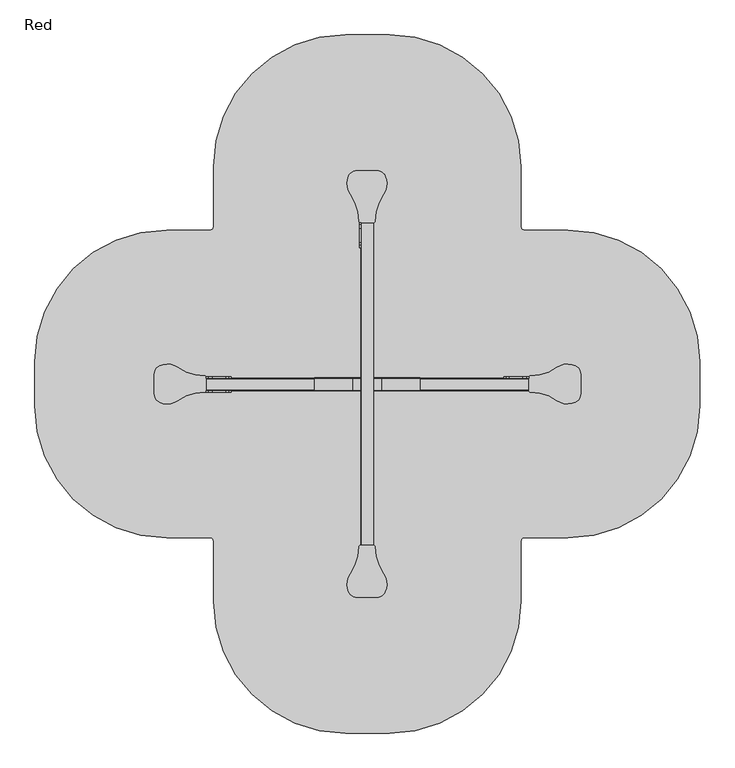
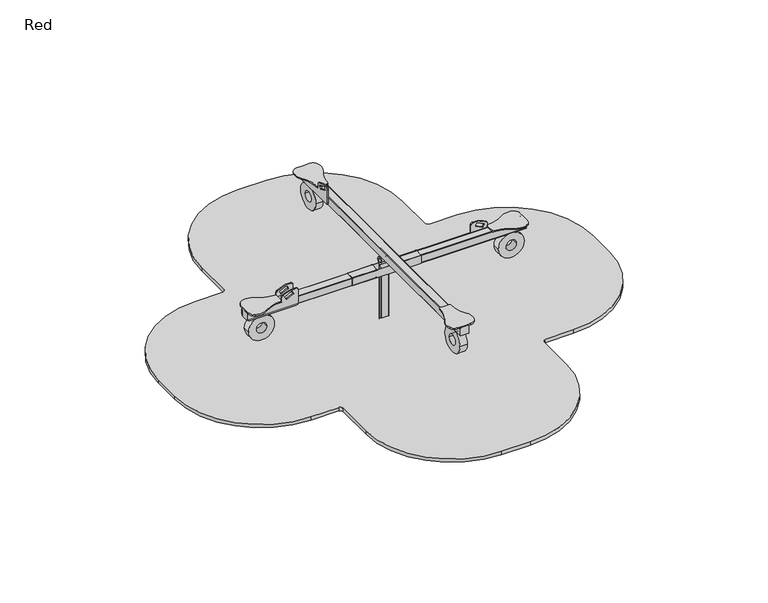
"""IFC4 building model written with IfcOpenShell, lengths in millimetres: furniture geometry, Red."""

from ifc_helpers import new_model, si_unit, point, frame, frame_2d, origin, place, context, project, spatial, polyline, circle_curve, ellipse_curve, trimmed, segment, composite_curve, outline, extrude, source, transform, mapped, element, save
from ifc_brep_helpers import plane_surface, cylinder_surface, revolved_surface, extruded_surface, advanced_brep


def red_bc25be27(model_context):
    return source(origin(), model_context, "Body", "SolidModel", [
        extrude(outline(composite_curve([segment(trimmed(circle_curve(frame_2d((553.5, 930.0)), 5.0), [point((553.5, 925.0))], [point((548.5, 930.0))], False, "CARTESIAN"), True, "CONTINUOUS"), segment(polyline([(548.5, 930.0), (548.5, 960.0)]), True, "CONTINUOUS"), segment(trimmed(circle_curve(frame_2d((553.5, 960.0)), 5.0), [point((548.5, 960.0))], [point((553.5, 965.0))], False, "CARTESIAN"), True, "CONTINUOUS"), segment(polyline([(553.5, 965.0), (638.5, 965.0)]), True, "CONTINUOUS"), segment(trimmed(circle_curve(frame_2d((638.5, 960.0)), 5.0), [point((638.5, 965.0))], [point((643.5, 960.0))], False, "CARTESIAN"), True, "CONTINUOUS"), segment(polyline([(643.5, 960.0), (643.5, 930.0)]), True, "CONTINUOUS"), segment(trimmed(circle_curve(frame_2d((638.5, 930.0)), 5.0), [point((643.5, 930.0))], [point((638.5, 925.0))], False, "CARTESIAN"), True, "CONTINUOUS"), segment(polyline([(638.5, 925.0), (553.5, 925.0)]), True, "CONTINUOUS")], self_intersect=False)), frame((0.0, 0.0, -600.0), z_axis=(0.0, 0.0, 1.0), x_axis=(1.0, 0.0, 0.0)), (0.0, 0.0, 1.0), 500.0),
        advanced_brep(
        [(746.0, 855.0, -600.0), (686.0, 795.0, -600.0), (506.0, 795.0, -600.0), (446.0, 855.0, -600.0), (446.0, 1035.0, -600.0), (506.0, 1095.0, -600.0), (686.0, 1095.0, -600.0), (746.0, 1035.0, -600.0), (746.0, 1035.0, -460.0), (746.0, 855.0, -460.0), (506.0, 1095.0, -460.0), (686.0, 1095.0, -460.0), (446.0, 855.0, -460.0), (446.0, 1035.0, -460.0), (686.0, 795.0, -460.0), (506.0, 795.0, -460.0), (668.6989403, 957.2959549, -250.0), (608.6989403, 1017.2959549, -250.0), (583.3010597, 1017.2959549, -250.0), (523.3010597, 957.2959549, -250.0), (523.3010597, 932.7040451, -250.0), (583.3010597, 872.7040451, -250.0), (608.6989403, 872.7040451, -250.0), (668.6989403, 932.7040451, -250.0)],
        [
            (0, 1, circle_curve(frame((686.0, 855.0, -600.0), z_axis=(0.0, 0.0, -1.0), x_axis=(0.0, -1.0, 0.0)), 60.0)),
            (1, 2),
            (2, 3, circle_curve(frame((506.0, 855.0, -600.0), z_axis=(0.0, 0.0, -1.0), x_axis=(0.0, -1.0, 0.0)), 60.0)),
            (3, 4),
            (4, 5, circle_curve(frame((506.0, 1035.0, -600.0), z_axis=(0.0, 0.0, -1.0), x_axis=(0.0, -1.0, 0.0)), 60.0)),
            (5, 6),
            (6, 7, circle_curve(frame((686.0, 1035.0, -600.0), z_axis=(0.0, 0.0, -1.0), x_axis=(0.0, -1.0, 0.0)), 60.0)),
            (7, 0),
            (7, 8),
            (8, 9),
            (9, 0),
            (5, 10),
            (10, 11),
            (11, 6),
            (3, 12),
            (12, 13),
            (13, 4),
            (1, 14),
            (14, 15),
            (15, 2),
            (16, 17, circle_curve(frame((608.6989403, 957.2959549, -250.0), z_axis=(0.0, 0.0, 1.0), x_axis=(0.0, -1.0, 0.0)), 60.0)),
            (17, 18),
            (18, 19, circle_curve(frame((583.3010597, 957.2959549, -250.0), z_axis=(0.0, 0.0, 1.0), x_axis=(0.0, -1.0, 0.0)), 60.0)),
            (19, 20),
            (20, 21, circle_curve(frame((583.3010597, 932.7040451, -250.0), z_axis=(0.0, 0.0, 1.0), x_axis=(0.0, -1.0, 0.0)), 60.0)),
            (21, 22),
            (22, 23, circle_curve(frame((608.6989403, 932.7040451, -250.0), z_axis=(0.0, 0.0, 1.0), x_axis=(0.0, -1.0, 0.0)), 60.0)),
            (23, 16),
            (17, 11),
            (10, 18),
            (19, 13),
            (12, 20),
            (21, 15),
            (14, 22),
            (23, 9),
            (8, 16),
            (11, 8, circle_curve(frame((686.0, 1035.0, -460.0), z_axis=(0.0, 0.0, -1.0), x_axis=(0.0, -1.0, 0.0)), 60.0)),
            (13, 10, circle_curve(frame((506.0, 1035.0, -460.0), z_axis=(0.0, 0.0, -1.0), x_axis=(0.0, -1.0, 0.0)), 60.0)),
            (15, 12, circle_curve(frame((506.0, 855.0, -460.0), z_axis=(0.0, 0.0, -1.0), x_axis=(0.0, -1.0, 0.0)), 60.0)),
            (9, 14, circle_curve(frame((686.0, 855.0, -460.0), z_axis=(0.0, 0.0, -1.0), x_axis=(0.0, -1.0, 0.0)), 60.0)),
        ],
        [
            plane_surface(frame((746.0, 1121.6329682, -600.0), z_axis=(0.0, 0.0, -1.0), x_axis=(0.0, -1.0, 0.0))),
            plane_surface(frame((746.0, 855.0, -460.0), z_axis=(1.0, 0.0, 0.0), x_axis=(0.0, 0.0, -1.0))),
            plane_surface(frame((686.0, 1095.0, -460.0), z_axis=(0.0, 1.0, 0.0), x_axis=(0.0, 0.0, -1.0))),
            plane_surface(frame((446.0, 1035.0, -460.0), z_axis=(-1.0, 0.0, 0.0), x_axis=(0.0, 0.0, -1.0))),
            plane_surface(frame((506.0, 795.0, -460.0), z_axis=(0.0, -1.0, 0.0), x_axis=(0.0, 0.0, -1.0))),
            plane_surface(frame((596.0, 945.0, -250.0), z_axis=(0.0, 0.0, 1.0), x_axis=(0.0, 1.0, 0.0))),
            plane_surface(frame((596.0, 1095.0, -460.0), z_axis=(0.0, 0.9378559633153523, 0.3470247715564883), x_axis=(-1.0, 0.0, 0.0))),
            plane_surface(frame((446.0, 945.0, -460.0), z_axis=(-0.9384407279810882, 0.0, 0.3454402988452927), x_axis=(0.0, -1.0, 0.0))),
            plane_surface(frame((596.0, 795.0, -460.0), z_axis=(0.0, -0.9378559633153524, 0.34702477155648764), x_axis=(1.0, 0.0, 0.0))),
            plane_surface(frame((746.0, 945.0, -460.0), z_axis=(0.9384407279810884, 0.0, 0.3454402988452924), x_axis=(0.0, 1.0, 0.0))),
            cylinder_surface(frame((686.0, 1035.0, -600.0), z_axis=(0.0, 0.0, 1.0), x_axis=(0.0, -1.0, 0.0)), 60.0),
            cylinder_surface(frame((506.0, 1035.0, -600.0), z_axis=(0.0, 0.0, 1.0), x_axis=(0.0, -1.0, 0.0)), 60.0),
            cylinder_surface(frame((506.0, 855.0, -600.0), z_axis=(0.0, 0.0, 1.0), x_axis=(0.0, -1.0, 0.0)), 60.0),
            cylinder_surface(frame((686.0, 855.0, -600.0), z_axis=(0.0, 0.0, 1.0), x_axis=(0.0, -1.0, 0.0)), 60.0),
            extruded_surface(trimmed(circle_curve(frame((686.0, 1035.0, -460.0), z_axis=(0.0, 0.0, 1.0), x_axis=(0.0, -1.0, 0.0)), 60.0), [point((746.0, 1035.0, -460.0))], [point((686.0, 1095.0, -460.0))], True, "CARTESIAN"), (-77.3010597, -77.70404510000003, 210.0), 236.88261324049472),
            extruded_surface(trimmed(circle_curve(frame((686.0, 855.0, -460.0), z_axis=(0.0, 0.0, 1.0), x_axis=(0.0, -1.0, 0.0)), 60.0), [point((686.0, 795.0, -460.0))], [point((746.0, 855.0, -460.0))], True, "CARTESIAN"), (-77.3010597, 77.70404510000003, 210.0), 236.88261324049472),
            extruded_surface(trimmed(circle_curve(frame((506.0, 1035.0, -460.0), z_axis=(0.0, 0.0, 1.0), x_axis=(0.0, -1.0, 0.0)), 60.0), [point((506.0, 1095.0, -460.0))], [point((446.0, 1035.0, -460.0))], True, "CARTESIAN"), (77.3010597, -77.70404510000003, 210.0), 236.88261324049472),
            extruded_surface(trimmed(circle_curve(frame((506.0, 855.0, -460.0), z_axis=(0.0, 0.0, 1.0), x_axis=(0.0, -1.0, 0.0)), 60.0), [point((446.0, 855.0, -460.0))], [point((506.0, 795.0, -460.0))], True, "CARTESIAN"), (77.3010597, 77.70404510000003, 210.0), 236.88261324049472),
        ],
        [
            (0, [[1, 2, 3, 4, 5, 6, 7, 8]]),
            (1, [[-8, 9, 10, 11]]),
            (2, [[-6, 12, 13, 14]]),
            (3, [[-4, 15, 16, 17]]),
            (4, [[-2, 18, 19, 20]]),
            (5, [[21, 22, 23, 24, 25, 26, 27, 28]]),
            (6, [[-22, 29, -13, 30]]),
            (7, [[-24, 31, -16, 32]]),
            (8, [[-26, 33, -19, 34]]),
            (9, [[-28, 35, -10, 36]]),
            (10, [[-7, -14, 37, -9]]),
            (11, [[-5, -17, 38, -12]]),
            (12, [[-3, -20, 39, -15]]),
            (13, [[-1, -11, 40, -18]]),
            (14, [[-21, -36, -37, -29]]),
            (15, [[-27, -34, -40, -35]]),
            (16, [[-23, -30, -38, -31]]),
            (17, [[-25, -32, -39, -33]]),
        ],
    ),
        extrude(outline(composite_curve([segment(trimmed(circle_curve(frame_2d((848.0, 550.5)), 2.0), [point((850.0, 550.5))], [point((848.0, 548.5))], False, "CARTESIAN"), True, "CONTINUOUS"), segment(polyline([(848.0, 548.5), (757.0, 548.5)]), True, "CONTINUOUS"), segment(trimmed(circle_curve(frame_2d((757.0, 550.5)), 2.0), [point((757.0, 548.5))], [point((755.0, 550.5))], False, "CARTESIAN"), True, "CONTINUOUS"), segment(polyline([(755.0, 550.5), (755.0, 641.5)]), True, "CONTINUOUS"), segment(trimmed(circle_curve(frame_2d((757.0, 641.5)), 2.0), [point((755.0, 641.5))], [point((757.0, 643.5))], False, "CARTESIAN"), True, "CONTINUOUS"), segment(polyline([(757.0, 643.5), (848.0, 643.5)]), True, "CONTINUOUS"), segment(trimmed(circle_curve(frame_2d((848.0, 641.5)), 2.0), [point((848.0, 643.5))], [point((850.0, 641.5))], False, "CARTESIAN"), True, "CONTINUOUS"), segment(polyline([(850.0, 641.5), (850.0, 550.5)]), True, "CONTINUOUS")], self_intersect=False)), frame((0.0, -674.7787309, 0.0), z_axis=(0.0, 1.0, 0.0), x_axis=(0.0, 0.0, 1.0)), (0.0, 0.0, 1.0), 3239.5574618),
        extrude(outline(composite_curve([segment(polyline([(891.7811039, 634.9532285), (891.7811039, 635.9532285)]), True, "CONTINUOUS"), segment(trimmed(circle_curve(frame_2d((893.7811039, 635.9532285)), 2.0), [point((891.7811039, 635.9532285))], [point((893.7811039, 637.9532285))], False, "CARTESIAN"), True, "CONTINUOUS"), segment(polyline([(893.7811039, 637.9532285), (990.7659008, 637.9532285)]), True, "CONTINUOUS"), segment(trimmed(circle_curve(frame_2d((990.7659008, 635.9532285)), 2.0), [point((990.7659008, 637.9532285))], [point((992.7659008, 635.9532285))], False, "CARTESIAN"), True, "CONTINUOUS"), segment(polyline([(992.7659008, 635.9532285), (992.7659008, 634.9532285), (891.7811039, 634.9532285)]), True, "CONTINUOUS")], self_intersect=False)), frame((196.0, 0.0, 0.0), z_axis=(1.0, 0.0, 0.0), x_axis=(0.0, 1.0, 0.0)), (0.0, 0.0, 1.0), 288.3542739),
        extrude(outline(composite_curve([segment(polyline([(891.7811039, 634.9532285), (891.7811039, 635.9532285)]), True, "CONTINUOUS"), segment(trimmed(circle_curve(frame_2d((893.7811039, 635.9532285)), 2.0), [point((891.7811039, 635.9532285))], [point((893.7811039, 637.9532285))], False, "CARTESIAN"), True, "CONTINUOUS"), segment(polyline([(893.7811039, 637.9532285), (990.7659008, 637.9532285)]), True, "CONTINUOUS"), segment(trimmed(circle_curve(frame_2d((990.7659008, 635.9532285)), 2.0), [point((990.7659008, 637.9532285))], [point((992.7659008, 635.9532285))], False, "CARTESIAN"), True, "CONTINUOUS"), segment(polyline([(992.7659008, 635.9532285), (992.7659008, 634.9532285), (891.7811039, 634.9532285)]), True, "CONTINUOUS")], self_intersect=False)), frame((707.6457261, 0.0, 0.0), z_axis=(1.0, 0.0, 0.0), x_axis=(0.0, 1.0, 0.0)), (0.0, 0.0, 1.0), 288.3542739),
        extrude(outline(polyline([(996.0, 891.7811039), (196.0, 891.7811039), (196.0, 894.7811039), (996.0, 894.7811039), (996.0, 891.7811039)])), frame((0.0, 0.0, 539.9532285), z_axis=(0.0, 0.0, 1.0), x_axis=(1.0, 0.0, 0.0)), (0.0, 0.0, 1.0), 95.0),
        extrude(outline(polyline([(196.0, 992.7659008), (996.0, 992.7659008), (996.0, 989.7659008), (196.0, 989.7659008), (196.0, 992.7659008)])), frame((0.0, 0.0, 539.9532285), z_axis=(0.0, 0.0, 1.0), x_axis=(1.0, 0.0, 0.0)), (0.0, 0.0, 1.0), 95.0),
        extrude(outline(composite_curve([segment(polyline([(5.0, -5.0), (5.0, -90.0)]), True, "CONTINUOUS"), segment(trimmed(circle_curve(frame_2d((0.0, -90.0)), 5.0), [point((5.0, -90.0))], [point((0.0, -95.0))], False, "CARTESIAN"), True, "CONTINUOUS"), segment(polyline([(0.0, -95.0), (-85.0, -95.0)]), True, "CONTINUOUS"), segment(trimmed(circle_curve(frame_2d((-85.0, -90.0)), 5.0), [point((-85.0, -95.0))], [point((-90.0, -90.0))], False, "CARTESIAN"), True, "CONTINUOUS"), segment(polyline([(-90.0, -90.0), (-90.0, -5.0)]), True, "CONTINUOUS"), segment(trimmed(circle_curve(frame_2d((-85.0, -5.0)), 5.0), [point((-90.0, -5.0))], [point((-85.0, 0.0))], False, "CARTESIAN"), True, "CONTINUOUS"), segment(polyline([(-85.0, 0.0), (0.0, 0.0)]), True, "CONTINUOUS"), segment(trimmed(circle_curve(frame_2d((0.0, -5.0)), 5.0), [point((0.0, 0.0))], [point((5.0, -5.0))], False, "CARTESIAN"), True, "CONTINUOUS")], self_intersect=False)), frame((484.3523572, 894.770406, 545.0), z_axis=(-0.9999999991858349, 4.0352573973788904e-05, 0.0), x_axis=(0.0, 0.0, -1.0)), (0.0, 0.0, 1.0), 1506.6118827),
        extrude(outline(composite_curve([segment(trimmed(circle_curve(frame_2d((0.0, -150.0)), 150.0), [point((0.0, -299.9999999))], [point((0.0, 0.0))], False, "CARTESIAN"), True, "CONTINUOUS"), segment(trimmed(circle_curve(frame_2d((0.0, -150.0)), 150.0), [point((0.0, 0.0))], [point((0.0, -299.9999999))], False, "CARTESIAN"), True, "CONTINUOUS")], self_intersect=False), holes=[composite_curve([segment(trimmed(circle_curve(frame_2d((0.0, -150.0)), 60.0), [point((0.0, -210.0))], [point((0.0, -90.0))], True, "CARTESIAN"), True, "CONTINUOUS"), segment(trimmed(circle_curve(frame_2d((0.0, -150.0)), 60.0), [point((0.0, -90.0))], [point((0.0, -210.0))], True, "CARTESIAN"), True, "CONTINUOUS")], self_intersect=False)]), frame((-702.4771301, 899.0550354, 390.0), z_axis=(-4.035257397550418e-05, 0.9999999991858349, 0.0), x_axis=(0.0, 0.0, 1.0)), (0.0, 0.0, 1.0), 85.6782978),
        extrude(outline(composite_curve([segment(polyline([(-1022.2546796, 869.7734728), (-1022.2577031, 944.7006096), (-1022.2607266, 1019.6277463)]), True, "CONTINUOUS"), segment(trimmed(circle_curve(frame_2d((-952.2607267, 1019.630571)), 70.0), [point((-1022.2607266, 1019.6277463))], [point((-981.5103838, 1083.2266209))], False, "CARTESIAN"), True, "CONTINUOUS"), segment(trimmed(circle_curve(frame_2d((-923.3455087, 956.7616753)), 139.1996234), [point((-981.5103838, 1083.2266209))], [point((-842.9477295, 1070.395879))], False, "CARTESIAN"), True, "CONTINUOUS"), segment(trimmed(circle_curve(frame_2d((-641.7427309, 1354.7789801)), 348.3636027), [point((-842.9477295, 1070.395879))], [point((-639.3423932, 1006.4236471))], True, "CARTESIAN"), True, "CONTINUOUS"), segment(trimmed(circle_curve(frame_2d((-639.2597093, 994.423932)), 12.0), [point((-639.3423932, 1006.4236471))], [point((-627.2597093, 994.4244162))], False, "CARTESIAN"), True, "CONTINUOUS"), segment(polyline([(-627.2597093, 994.4244162), (-627.2577035, 944.7165489), (-627.2556976, 895.0086815)]), True, "CONTINUOUS"), segment(trimmed(circle_curve(frame_2d((-639.2556976, 895.0081973)), 12.0), [point((-627.2556976, 895.0086815))], [point((-639.337413, 883.0084755))], False, "CARTESIAN"), True, "CONTINUOUS"), segment(trimmed(circle_curve(frame_2d((-641.7096367, 534.6529499)), 348.3636027), [point((-639.337413, 883.0084755))], [point((-842.9375858, 819.0198118))], True, "CARTESIAN"), True, "CONTINUOUS"), segment(trimmed(circle_curve(frame_2d((-923.3445356, 932.6475266)), 139.1996234), [point((-842.9375858, 819.0198118))], [point((-981.4992042, 806.1778873))], False, "CARTESIAN"), True, "CONTINUOUS"), segment(trimmed(circle_curve(frame_2d((-952.2546797, 869.7762975)), 70.0), [point((-981.4992042, 806.1778873))], [point((-1022.2546796, 869.7734728))], False, "CARTESIAN"), True, "CONTINUOUS")], self_intersect=False)), frame((0.0, 0.0, 635.0), z_axis=(0.0, 0.0, 1.0), x_axis=(1.0, 0.0, 0.0)), (0.0, 0.0, 1.0), 15.0),
        extrude(outline(composite_curve([segment(trimmed(circle_curve(frame_2d((0.0, -150.0)), 150.0), [point((0.0, -300.0))], [point((0.0, 0.0))], False, "CARTESIAN"), True, "CONTINUOUS"), segment(trimmed(circle_curve(frame_2d((0.0, -150.0)), 150.0), [point((0.0, 0.0))], [point((0.0, -300.0))], False, "CARTESIAN"), True, "CONTINUOUS")], self_intersect=False), holes=[composite_curve([segment(trimmed(circle_curve(frame_2d((0.0, -150.0)), 60.0), [point((0.0, -210.0))], [point((0.0, -90.0))], True, "CARTESIAN"), True, "CONTINUOUS"), segment(trimmed(circle_curve(frame_2d((0.0, -150.0)), 60.0), [point((0.0, -90.0))], [point((0.0, -210.0))], True, "CARTESIAN"), True, "CONTINUOUS")], self_intersect=False)]), frame((1897.5228678, 899.1599521, 390.0), z_axis=(-4.035257397550418e-05, 0.9999999991858349, 0.0), x_axis=(0.0, 0.0, -1.0)), (0.0, 0.0, 1.0), 85.6782978),
        extrude(outline(composite_curve([segment(trimmed(circle_curve(frame_2d((2147.3027795, 869.9013726)), 70.0), [point((2217.3027795, 869.9041973))], [point((2176.5524367, 806.3053228))], False, "CARTESIAN"), True, "CONTINUOUS"), segment(trimmed(circle_curve(frame_2d((2118.3875616, 932.7702683)), 139.1996234), [point((2176.5524367, 806.3053228))], [point((2037.9897823, 819.1360647))], False, "CARTESIAN"), True, "CONTINUOUS"), segment(trimmed(circle_curve(frame_2d((1836.7847838, 534.7529635)), 348.3636027), [point((2037.9897823, 819.1360647))], [point((1834.384446, 883.1082965))], True, "CARTESIAN"), True, "CONTINUOUS"), segment(trimmed(circle_curve(frame_2d((1834.3017621, 895.1080117)), 12.0), [point((1834.384446, 883.1082965))], [point((1822.3017621, 895.1075274))], False, "CARTESIAN"), True, "CONTINUOUS"), segment(polyline([(1822.3017621, 895.1075274), (1822.2997563, 944.8153948), (1822.2977505, 994.5232622)]), True, "CONTINUOUS"), segment(trimmed(circle_curve(frame_2d((1834.2977505, 994.5237464)), 12.0), [point((1822.2977505, 994.5232622))], [point((1834.3794659, 1006.5234682))], False, "CARTESIAN"), True, "CONTINUOUS"), segment(trimmed(circle_curve(frame_2d((1836.7516896, 1354.8789938)), 348.3636027), [point((1834.3794659, 1006.5234682))], [point((2037.9796386, 1070.5121318))], True, "CARTESIAN"), True, "CONTINUOUS"), segment(trimmed(circle_curve(frame_2d((2118.3865885, 956.884417)), 139.1996234), [point((2037.9796386, 1070.5121318))], [point((2176.5412571, 1083.3540564))], False, "CARTESIAN"), True, "CONTINUOUS"), segment(trimmed(circle_curve(frame_2d((2147.2967325, 1019.7556461)), 70.0), [point((2176.5412571, 1083.3540564))], [point((2217.2967325, 1019.7584708))], False, "CARTESIAN"), True, "CONTINUOUS"), segment(polyline([(2217.2967325, 1019.7584708), (2217.299756, 944.8313341), (2217.3027795, 869.9041973)]), True, "CONTINUOUS")], self_intersect=False)), frame((0.0, 0.0, 635.0), z_axis=(0.0, 0.0, 1.0), x_axis=(1.0, 0.0, 0.0)), (0.0, 0.0, 1.0), 15.0),
        extrude(outline(composite_curve([segment(trimmed(circle_curve(frame_2d((90.0, -5.0)), 5.0), [point((90.0, 0.0))], [point((95.0, -5.0))], False, "CARTESIAN"), True, "CONTINUOUS"), segment(polyline([(95.0, -5.0), (95.0, -90.0)]), True, "CONTINUOUS"), segment(trimmed(circle_curve(frame_2d((90.0, -90.0)), 5.0), [point((95.0, -90.0))], [point((90.0, -95.0))], False, "CARTESIAN"), True, "CONTINUOUS"), segment(polyline([(90.0, -95.0), (5.0, -95.0)]), True, "CONTINUOUS"), segment(trimmed(circle_curve(frame_2d((5.0, -90.0)), 5.0), [point((5.0, -95.0))], [point((0.0, -90.0))], False, "CARTESIAN"), True, "CONTINUOUS"), segment(polyline([(0.0, -90.0), (0.0, -5.0)]), True, "CONTINUOUS"), segment(trimmed(circle_curve(frame_2d((5.0, -5.0)), 5.0), [point((0.0, -5.0))], [point((5.0, 0.0))], False, "CARTESIAN"), True, "CONTINUOUS"), segment(polyline([(5.0, 0.0), (90.0, 0.0)]), True, "CONTINUOUS")], self_intersect=False)), frame((707.6438093, 989.7704059, 540.0), z_axis=(0.9999999991858349, 4.0352573973788904e-05, 0.0), x_axis=(4.0352573973788904e-05, -0.9999999991858349, 0.0)), (0.0, 0.0, 1.0), 1509.8936814),
        extrude(outline(composite_curve([segment(trimmed(circle_curve(frame_2d((-505.0, 605.0)), 150.0), [point((-655.0, 605.0))], [point((-355.0, 605.0))], False, "CARTESIAN"), True, "CONTINUOUS"), segment(trimmed(circle_curve(frame_2d((-505.0, 605.0)), 150.0), [point((-355.0, 605.0))], [point((-655.0, 605.0))], False, "CARTESIAN"), True, "CONTINUOUS")], self_intersect=False), holes=[composite_curve([segment(trimmed(circle_curve(frame_2d((-505.0, 605.0)), 60.0), [point((-565.0, 605.0))], [point((-445.0, 605.0))], True, "CARTESIAN"), True, "CONTINUOUS"), segment(trimmed(circle_curve(frame_2d((-505.0, 605.0)), 60.0), [point((-445.0, 605.0))], [point((-565.0, 605.0))], True, "CARTESIAN"), True, "CONTINUOUS")], self_intersect=False)]), frame((553.4801803, 0.0, 0.0), z_axis=(1.0, 0.0, 0.0), x_axis=(0.0, 1.0, 0.0)), (0.0, 0.0, 1.0), 85.6782978),
        extrude(outline(composite_curve([segment(polyline([(668.4271368, -674.7787309), (593.5, -674.7787309), (518.5728632, -674.7787309)]), True, "CONTINUOUS"), segment(trimmed(circle_curve(frame_2d((518.5728632, -604.7787309)), 70.0), [point((518.5728632, -674.7787309))], [point((454.9756331, -634.0258217))], False, "CARTESIAN"), True, "CONTINUOUS"), segment(trimmed(circle_curve(frame_2d((581.4429256, -575.8660498)), 139.1996234), [point((454.9756331, -634.0258217))], [point((467.8119663, -495.4636852))], False, "CARTESIAN"), True, "CONTINUOUS"), segment(trimmed(circle_curve(frame_2d((183.4369845, -294.2472112)), 348.3636027), [point((467.8119663, -495.4636852))], [point((531.7924141, -291.8609305))], True, "CARTESIAN"), True, "CONTINUOUS"), segment(trimmed(circle_curve(frame_2d((543.7921326, -291.7787309)), 12.0), [point((531.7924141, -291.8609305))], [point((543.7921326, -279.7787309))], False, "CARTESIAN"), True, "CONTINUOUS"), segment(polyline([(543.7921326, -279.7787309), (593.5, -279.7787309), (643.2078674, -279.7787309)]), True, "CONTINUOUS"), segment(trimmed(circle_curve(frame_2d((643.2078674, -291.7787309)), 12.0), [point((643.2078674, -279.7787309))], [point((655.2075859, -291.8609305))], False, "CARTESIAN"), True, "CONTINUOUS"), segment(trimmed(circle_curve(frame_2d((1003.5630155, -294.2472112)), 348.3636027), [point((655.2075859, -291.8609305))], [point((719.1880337, -495.4636852))], True, "CARTESIAN"), True, "CONTINUOUS"), segment(trimmed(circle_curve(frame_2d((605.5570744, -575.8660498)), 139.1996234), [point((719.1880337, -495.4636852))], [point((732.0243669, -634.0258217))], False, "CARTESIAN"), True, "CONTINUOUS"), segment(trimmed(circle_curve(frame_2d((668.4271368, -604.7787309)), 70.0), [point((732.0243669, -634.0258217))], [point((668.4271368, -674.7787309))], False, "CARTESIAN"), True, "CONTINUOUS")], self_intersect=False)), frame((0.0, 0.0, 850.0), z_axis=(0.0, 0.0, 1.0), x_axis=(1.0, 0.0, 0.0)), (0.0, 0.0, 1.0), 14.9726504),
        extrude(outline(composite_curve([segment(trimmed(circle_curve(frame_2d((2395.0, 605.0)), 150.0), [point((2545.0, 605.0))], [point((2245.0, 605.0))], False, "CARTESIAN"), True, "CONTINUOUS"), segment(trimmed(circle_curve(frame_2d((2395.0, 605.0)), 150.0), [point((2245.0, 605.0))], [point((2545.0, 605.0))], False, "CARTESIAN"), True, "CONTINUOUS")], self_intersect=False), holes=[composite_curve([segment(trimmed(circle_curve(frame_2d((2395.0, 605.0)), 60.0), [point((2455.0, 605.0))], [point((2335.0, 605.0))], True, "CARTESIAN"), True, "CONTINUOUS"), segment(trimmed(circle_curve(frame_2d((2395.0, 605.0)), 60.0), [point((2335.0, 605.0))], [point((2455.0, 605.0))], True, "CARTESIAN"), True, "CONTINUOUS")], self_intersect=False)]), frame((553.4801803, 0.0, 0.0), z_axis=(1.0, 0.0, 0.0), x_axis=(0.0, 1.0, 0.0)), (0.0, 0.0, 1.0), 85.6782978),
        extrude(outline(composite_curve([segment(trimmed(circle_curve(frame_2d((668.4271368, 2494.7787309)), 70.0), [point((668.4271368, 2564.7787309))], [point((732.0243669, 2524.0258217))], False, "CARTESIAN"), True, "CONTINUOUS"), segment(trimmed(circle_curve(frame_2d((605.5570744, 2465.8660498)), 139.1996234), [point((732.0243669, 2524.0258217))], [point((719.1880337, 2385.4636852))], False, "CARTESIAN"), True, "CONTINUOUS"), segment(trimmed(circle_curve(frame_2d((1003.5630155, 2184.2472112)), 348.3636027), [point((719.1880337, 2385.4636852))], [point((655.2075859, 2181.8609305))], True, "CARTESIAN"), True, "CONTINUOUS"), segment(trimmed(circle_curve(frame_2d((643.2078674, 2181.7787309)), 12.0), [point((655.2075859, 2181.8609305))], [point((643.2078674, 2169.7787309))], False, "CARTESIAN"), True, "CONTINUOUS"), segment(polyline([(643.2078674, 2169.7787309), (593.5, 2169.7787309), (543.7921326, 2169.7787309)]), True, "CONTINUOUS"), segment(trimmed(circle_curve(frame_2d((543.7921326, 2181.7787309)), 12.0), [point((543.7921326, 2169.7787309))], [point((531.7924141, 2181.8609305))], False, "CARTESIAN"), True, "CONTINUOUS"), segment(trimmed(circle_curve(frame_2d((183.4369845, 2184.2472112)), 348.3636027), [point((531.7924141, 2181.8609305))], [point((467.8119663, 2385.4636852))], True, "CARTESIAN"), True, "CONTINUOUS"), segment(trimmed(circle_curve(frame_2d((581.4429256, 2465.8660498)), 139.1996234), [point((467.8119663, 2385.4636852))], [point((454.9756331, 2524.0258217))], False, "CARTESIAN"), True, "CONTINUOUS"), segment(trimmed(circle_curve(frame_2d((518.5728632, 2494.7787309)), 70.0), [point((454.9756331, 2524.0258217))], [point((518.5728632, 2564.7787309))], False, "CARTESIAN"), True, "CONTINUOUS"), segment(polyline([(518.5728632, 2564.7787309), (593.5, 2564.7787309), (668.4271368, 2564.7787309)]), True, "CONTINUOUS")], self_intersect=False)), frame((0.0, 0.0, 850.0), z_axis=(0.0, 0.0, 1.0), x_axis=(1.0, 0.0, 0.0)), (0.0, 0.0, 1.0), 14.9949658),
        advanced_brep(
        [(643.5, 925.0, -250.0), (643.5, 965.0, -250.0), (643.5, 965.0, -100.0), (643.5, 960.0, -100.0), (643.5, 960.0, 600.0), (643.5, 962.766844, 600.0), (643.5, 953.6686109, 658.4506058), (643.5, 985.0, 697.5), (643.5, 905.0, 697.5), (643.5, 936.2777042, 658.4625621), (643.5, 928.0613269, 600.0), (643.5, 930.0, 600.0), (643.5, 930.0, -100.0), (643.5, 925.0, -100.0), (643.5, 965.0, 697.6143428), (643.5, 925.0, 697.6143428), (548.5, 965.0, -250.0), (548.5, 925.0, -250.0), (548.5, 925.0, -100.0), (548.5, 930.0, -100.0), (548.5, 930.0, 600.0), (548.5, 928.0613269, 600.0), (548.5, 936.2777042, 658.4625621), (548.5, 905.0, 697.5), (548.5, 985.0, 697.5), (548.5, 953.6686109, 658.4506058), (548.5, 962.766844, 600.0), (548.5, 960.0, 600.0), (548.5, 960.0, -100.0), (548.5, 965.0, -100.0), (548.5, 965.0, 697.6143428), (548.5, 925.0, 697.6143428), (642.6646817, 962.766844, 600.0), (638.5, 965.0, 585.6533332), (553.5, 965.0, 585.6533332), (549.3353183, 962.766844, 600.0), (548.8911448, 928.0613269, 600.0), (553.5, 925.0, 578.2175274), (638.5, 925.0, 578.2175274), (643.1088552, 928.0613269, 600.0), (638.5, 925.0, -100.0), (553.5, 925.0, -100.0), (553.5, 965.0, -100.0), (638.5, 965.0, -100.0)],
        [
            (0, 1),
            (1, 2),
            (2, 3),
            (3, 4),
            (4, 5),
            (5, 6),
            (6, 7, circle_curve(frame((643.5, 945.0, 697.5), z_axis=(1.0, 0.0, 0.0), x_axis=(0.0, -1.0, 0.0)), 40.0)),
            (7, 8, circle_curve(frame((643.5, 945.0, 697.5), z_axis=(1.0, 0.0, 0.0), x_axis=(0.0, -1.0, 0.0)), 40.0)),
            (8, 9, circle_curve(frame((643.5, 945.0, 697.5), z_axis=(1.0, 0.0, 0.0), x_axis=(0.0, -1.0, 0.0)), 40.0)),
            (9, 10),
            (10, 11),
            (11, 12),
            (12, 13),
            (13, 0),
            (14, 15, circle_curve(frame((643.5, 945.0, 697.6143428), z_axis=(-1.0, 0.0, 0.0), x_axis=(0.0, -1.0, 0.0)), 20.0)),
            (15, 14, circle_curve(frame((643.5, 945.0, 697.6143428), z_axis=(-1.0, 0.0, 0.0), x_axis=(0.0, -1.0, 0.0)), 20.0)),
            (16, 17),
            (17, 18),
            (18, 19),
            (19, 20),
            (20, 21),
            (21, 22),
            (22, 23, circle_curve(frame((548.5, 945.0, 697.5), z_axis=(-1.0, 0.0, 0.0), x_axis=(0.0, -1.0, 0.0)), 40.0)),
            (23, 24, circle_curve(frame((548.5, 945.0, 697.5), z_axis=(-1.0, 0.0, 0.0), x_axis=(0.0, -1.0, 0.0)), 40.0)),
            (24, 25, circle_curve(frame((548.5, 945.0, 697.5), z_axis=(-1.0, 0.0, 0.0), x_axis=(0.0, -1.0, 0.0)), 40.0)),
            (25, 26),
            (26, 27),
            (27, 28),
            (28, 29),
            (29, 16),
            (30, 31, circle_curve(frame((548.5, 945.0, 697.6143428), z_axis=(1.0, 0.0, 0.0), x_axis=(0.0, -1.0, 0.0)), 20.0)),
            (31, 30, circle_curve(frame((548.5, 945.0, 697.6143428), z_axis=(1.0, 0.0, 0.0), x_axis=(0.0, -1.0, 0.0)), 20.0)),
            (25, 6),
            (5, 32),
            (32, 33, ellipse_curve(frame((638.5, 960.0, 617.7752876), z_axis=(0.0, 0.9881012729797441, 0.15380466291959197), x_axis=(0.0, 0.153804662919592, -0.9881012729797441)), 32.5087673, 5.0)),
            (33, 34),
            (34, 35, ellipse_curve(frame((553.5, 960.0, 617.7752876), z_axis=(0.0, 0.9881012729797441, 0.15380466291959197), x_axis=(0.0, 0.153804662919592, -0.9881012729797441)), 32.5087673, 5.0)),
            (35, 26),
            (9, 22),
            (21, 36),
            (36, 37, ellipse_curve(frame((553.5, 930.0, 613.794376), z_axis=(0.0, -0.9902680687415697, 0.13917310096007074), x_axis=(0.0, -0.13917310096007074, -0.9902680687415695)), 35.9264827, 5.0)),
            (37, 38),
            (38, 39, ellipse_curve(frame((638.5, 930.0, 613.794376), z_axis=(0.0, -0.9902680687415697, 0.13917310096007074), x_axis=(0.0, -0.13917310096007074, -0.9902680687415695)), 35.9264827, 5.0)),
            (39, 10),
            (17, 0),
            (13, 40),
            (40, 38),
            (37, 41),
            (41, 18),
            (16, 1),
            (29, 42),
            (42, 34),
            (33, 43),
            (43, 2),
            (7, 24),
            (23, 8),
            (14, 30),
            (31, 15),
            (20, 36, circle_curve(frame((553.5, 930.0, 600.0), z_axis=(0.0, 0.0, 1.0), x_axis=(0.0, -1.0, 0.0)), 5.0)),
            (39, 11, circle_curve(frame((638.5, 930.0, 600.0), z_axis=(0.0, 0.0, 1.0), x_axis=(0.0, -1.0, 0.0)), 5.0)),
            (4, 32, circle_curve(frame((638.5, 960.0, 600.0), z_axis=(0.0, 0.0, 1.0), x_axis=(0.0, -1.0, 0.0)), 5.0)),
            (35, 27, circle_curve(frame((553.5, 960.0, 600.0), z_axis=(0.0, 0.0, 1.0), x_axis=(0.0, -1.0, 0.0)), 5.0)),
            (28, 42, circle_curve(frame((553.5, 960.0, -100.0), z_axis=(0.0, 0.0, -1.0), x_axis=(0.0, -1.0, 0.0)), 5.0)),
            (43, 3, circle_curve(frame((638.5, 960.0, -100.0), z_axis=(0.0, 0.0, -1.0), x_axis=(0.0, -1.0, 0.0)), 5.0)),
            (12, 40, circle_curve(frame((638.5, 930.0, -100.0), z_axis=(0.0, 0.0, -1.0), x_axis=(0.0, -1.0, 0.0)), 5.0)),
            (41, 19, circle_curve(frame((553.5, 930.0, -100.0), z_axis=(0.0, 0.0, -1.0), x_axis=(0.0, -1.0, 0.0)), 5.0)),
        ],
        [
            plane_surface(frame((643.5, 965.0, 585.6533332), z_axis=(1.0000000000000002, 0.0, 0.0), x_axis=(0.0, -0.15380466291959197, 0.9881012729797441))),
            plane_surface(frame((548.5, 965.0, 585.6533332), z_axis=(-1.0000000000000002, 0.0, 0.0), x_axis=(0.0, 0.15380466291959197, -0.9881012729797441))),
            plane_surface(frame((643.5, 965.0, 585.6533332), z_axis=(0.0, 0.9881012729797441, 0.15380466291959197), x_axis=(-1.0, 0.0, 0.0))),
            plane_surface(frame((643.5, 936.5464016, 660.3744438), z_axis=(0.0, -0.9902680687415697, 0.13917310096007074), x_axis=(-1.0, 0.0, 0.0))),
            plane_surface(frame((643.5, 925.0, 578.2175274), z_axis=(0.0, -1.0, 0.0), x_axis=(-1.0, 0.0, 0.0))),
            plane_surface(frame((643.5, 925.0, -250.0), z_axis=(0.0, 0.0, -1.0), x_axis=(-1.0, 0.0, 0.0))),
            plane_surface(frame((643.5, 965.0, -250.0), z_axis=(0.0, 1.0, 0.0), x_axis=(-1.0, 0.0, 0.0))),
            cylinder_surface(frame((548.5, 945.0, 697.5), z_axis=(1.0, 0.0, 0.0), x_axis=(0.0, -1.0, 0.0)), 40.0),
            revolved_surface(polyline([(548.5, 925.0, 697.6143428), (643.5, 925.0, 697.6143428)]), (596.0, 945.0, 697.6143428), (-1.0, 0.0, 0.0)),
            plane_surface(frame((553.5, 955.0, 600.0), z_axis=(0.0, 0.0, -1.0), x_axis=(-1.0, 0.0, 0.0))),
            plane_surface(frame((553.5, 955.0, -100.0), z_axis=(0.0, 0.0, 1.0), x_axis=(1.0, 0.0, 0.0))),
            cylinder_surface(frame((553.5, 960.0, -100.0), z_axis=(0.0, 0.0, -1.0), x_axis=(0.0, -1.0, 0.0)), 5.0),
            cylinder_surface(frame((638.5, 960.0, -100.0), z_axis=(0.0, 0.0, -1.0), x_axis=(0.0, -1.0, 0.0)), 5.0),
            cylinder_surface(frame((638.5, 930.0, -100.0), z_axis=(0.0, 0.0, -1.0), x_axis=(0.0, -1.0, 0.0)), 5.0),
            cylinder_surface(frame((553.5, 930.0, -100.0), z_axis=(0.0, 0.0, -1.0), x_axis=(0.0, -1.0, 0.0)), 5.0),
        ],
        [
            (0, [[1, 2, 3, 4, 5, 6, 7, 8, 9, 10, 11, 12, 13, 14], [15, 16]]),
            (1, [[17, 18, 19, 20, 21, 22, 23, 24, 25, 26, 27, 28, 29, 30], [31, 32]]),
            (2, [[33, -6, 34, 35, 36, 37, 38, -26]]),
            (3, [[39, -22, 40, 41, 42, 43, 44, -10]]),
            (4, [[45, -14, 46, 47, -42, 48, 49, -18]]),
            (5, [[-1, -45, -17, 50]]),
            (6, [[-50, -30, 51, 52, -36, 53, 54, -2]]),
            (7, [[-8, 55, -24, 56]]),
            (7, [[-55, -7, -33, -25]]),
            (7, [[-56, -23, -39, -9]]),
            (8, [[-15, 57, -32, 58]]),
            (8, [[-16, -58, -31, -57]]),
            (9, [[59, -40, -21]]),
            (9, [[60, -11, -44]]),
            (9, [[61, -34, -5]]),
            (9, [[62, -27, -38]]),
            (10, [[63, -51, -29]]),
            (10, [[64, -3, -54]]),
            (10, [[65, -46, -13]]),
            (10, [[66, -19, -49]]),
            (11, [[-63, -28, -62, -37, -52]]),
            (12, [[-64, -53, -35, -61, -4]]),
            (13, [[-65, -12, -60, -43, -47]]),
            (14, [[-66, -48, -41, -59, -20]]),
        ],
    ),
        extrude(outline(composite_curve([segment(trimmed(circle_curve(frame_2d((763.0, 2595.0)), 1000.0), [point((763.0, 3595.0))], [point((1763.0, 2595.0))], False, "CARTESIAN"), True, "CONTINUOUS"), segment(polyline([(1763.0, 2595.0), (1763.0, 2142.3637378)]), True, "CONTINUOUS"), segment(trimmed(circle_curve(frame_2d((1793.0, 2142.3637378)), 30.0), [point((1763.0, 2142.3637378))], [point((1793.0, 2112.3637378))], True, "CARTESIAN"), True, "CONTINUOUS"), segment(polyline([(1793.0, 2112.3637378), (2121.0, 2112.3637378)]), True, "CONTINUOUS"), segment(trimmed(circle_curve(frame_2d((2121.0, 1112.3637378)), 1000.0), [point((2121.0, 2112.3637378))], [point((3121.0, 1112.3637378))], False, "CARTESIAN"), True, "CONTINUOUS"), segment(polyline([(3121.0, 1112.3637378), (3121.0, 778.3637378)]), True, "CONTINUOUS"), segment(trimmed(circle_curve(frame_2d((2121.0, 778.3637378)), 1000.0), [point((3121.0, 778.3637378))], [point((2121.0, -221.6362622))], False, "CARTESIAN"), True, "CONTINUOUS"), segment(polyline([(2121.0, -221.6362622), (1793.0, -221.6362622)]), True, "CONTINUOUS"), segment(trimmed(circle_curve(frame_2d((1793.0, -251.6362622)), 30.0), [point((1793.0, -221.6362622))], [point((1763.0, -251.6362622))], True, "CARTESIAN"), True, "CONTINUOUS"), segment(polyline([(1763.0, -251.6362622), (1763.0, -705.0)]), True, "CONTINUOUS"), segment(trimmed(circle_curve(frame_2d((763.0, -705.0)), 1000.0), [point((1763.0, -705.0))], [point((763.0, -1705.0))], False, "CARTESIAN"), True, "CONTINUOUS"), segment(polyline([(763.0, -1705.0), (429.0, -1705.0)]), True, "CONTINUOUS"), segment(trimmed(circle_curve(frame_2d((429.0, -705.0)), 1000.0), [point((429.0, -1705.0))], [point((-571.0, -705.0))], False, "CARTESIAN"), True, "CONTINUOUS"), segment(polyline([(-571.0, -705.0), (-571.0, -251.6362622)]), True, "CONTINUOUS"), segment(trimmed(circle_curve(frame_2d((-601.0, -251.6362622)), 30.0), [point((-571.0, -251.6362622))], [point((-601.0, -221.6362622))], True, "CARTESIAN"), True, "CONTINUOUS"), segment(polyline([(-601.0, -221.6362622), (-929.0, -221.6362622)]), True, "CONTINUOUS"), segment(trimmed(circle_curve(frame_2d((-929.0, 778.3637378)), 1000.0), [point((-929.0, -221.6362622))], [point((-1929.0, 778.3637378))], False, "CARTESIAN"), True, "CONTINUOUS"), segment(polyline([(-1929.0, 778.3637378), (-1929.0, 1112.3637378)]), True, "CONTINUOUS"), segment(trimmed(circle_curve(frame_2d((-929.0, 1112.3637378)), 1000.0), [point((-1929.0, 1112.3637378))], [point((-929.0, 2112.3637378))], False, "CARTESIAN"), True, "CONTINUOUS"), segment(polyline([(-929.0, 2112.3637378), (-601.0, 2112.3637378)]), True, "CONTINUOUS"), segment(trimmed(circle_curve(frame_2d((-601.0, 2142.3637378)), 30.0), [point((-601.0, 2112.3637378))], [point((-571.0, 2142.3637378))], True, "CARTESIAN"), True, "CONTINUOUS"), segment(polyline([(-571.0, 2142.3637378), (-571.0, 2595.0)]), True, "CONTINUOUS"), segment(trimmed(circle_curve(frame_2d((429.0, 2595.0)), 1000.0), [point((-571.0, 2595.0))], [point((429.0, 3595.0))], False, "CARTESIAN"), True, "CONTINUOUS"), segment(polyline([(429.0, 3595.0), (763.0, 3595.0)]), True, "CONTINUOUS")], self_intersect=False)), frame((0.0, 0.0, -40.0), z_axis=(0.0, 0.0, 1.0), x_axis=(1.0, 0.0, 0.0)), (0.0, 0.0, 1.0), 41.0),
        extrude(outline(composite_curve([segment(trimmed(circle_curve(frame_2d((2001.7787309, 777.0)), 22.0), [point((2001.7787309, 755.0))], [point((1979.7787309, 777.0))], False, "CARTESIAN"), True, "CONTINUOUS"), segment(polyline([(1979.7787309, 777.0), (1979.7787309, 938.0)]), True, "CONTINUOUS"), segment(trimmed(circle_curve(frame_2d((2001.7787309, 938.0)), 22.0), [point((1979.7787309, 938.0))], [point((2001.7787309, 960.0))], False, "CARTESIAN"), True, "CONTINUOUS"), segment(polyline([(2001.7787309, 960.0), (2022.6199347, 960.0)]), True, "CONTINUOUS"), segment(trimmed(circle_curve(frame_2d((2022.6199347, 722.2230978)), 237.7769022), [point((2022.6199347, 960.0))], [point((2126.854468, 935.9355618))], False, "CARTESIAN"), True, "CONTINUOUS"), segment(polyline([(2126.854468, 935.9355618), (2157.4228961, 921.0263433)]), True, "CONTINUOUS"), segment(trimmed(circle_curve(frame_2d((2147.7787309, 901.2528743)), 22.0), [point((2157.4228961, 921.0263433))], [point((2169.7787309, 901.2528743))], False, "CARTESIAN"), True, "CONTINUOUS"), segment(polyline([(2169.7787309, 901.2528743), (2169.7787309, 850.0), (2542.7787309, 850.0)]), True, "CONTINUOUS"), segment(trimmed(circle_curve(frame_2d((2542.7787309, 828.0)), 22.0), [point((2542.7787309, 850.0))], [point((2564.7787309, 828.0))], False, "CARTESIAN"), True, "CONTINUOUS"), segment(polyline([(2564.7787309, 828.0), (2564.7787309, 777.0)]), True, "CONTINUOUS"), segment(trimmed(circle_curve(frame_2d((2542.7787309, 777.0)), 22.0), [point((2564.7787309, 777.0))], [point((2542.7787309, 755.0))], False, "CARTESIAN"), True, "CONTINUOUS"), segment(polyline([(2542.7787309, 755.0), (2001.7787309, 755.0)]), True, "CONTINUOUS")], self_intersect=False), holes=[composite_curve([segment(polyline([(2119.3115985, 870.2731132), (2132.4627329, 897.2369346)]), True, "CONTINUOUS"), segment(trimmed(circle_curve(frame_2d((2127.9687627, 899.4287903)), 5.0), [point((2132.4627329, 897.2369346))], [point((2130.1606184, 903.9227606))], True, "CARTESIAN"), True, "CONTINUOUS"), segment(polyline([(2130.1606184, 903.9227606), (2053.7631245, 941.1843081)]), True, "CONTINUOUS"), segment(trimmed(circle_curve(frame_2d((2051.5712687, 936.6903378)), 5.0), [point((2053.7631245, 941.1843081))], [point((2047.0772985, 938.8821936))], True, "CARTESIAN"), True, "CONTINUOUS"), segment(polyline([(2047.0772985, 938.8821936), (2033.9261641, 911.9183722)]), True, "CONTINUOUS"), segment(trimmed(circle_curve(frame_2d((2038.4201343, 909.7265164)), 5.0), [point((2033.9261641, 911.9183722))], [point((2036.2282786, 905.2325462))], True, "CARTESIAN"), True, "CONTINUOUS"), segment(polyline([(2036.2282786, 905.2325462), (2112.6257725, 867.9709987)]), True, "CONTINUOUS"), segment(trimmed(circle_curve(frame_2d((2114.8176283, 872.464969)), 5.0), [point((2112.6257725, 867.9709987))], [point((2119.3115985, 870.2731132))], True, "CARTESIAN"), True, "CONTINUOUS")], self_intersect=False)]), frame((536.5, 0.0, 0.0), z_axis=(1.0, 0.0, 0.0), x_axis=(0.0, 1.0, 0.0)), (0.0, 0.0, 1.0), 12.0),
        extrude(outline(composite_curve([segment(trimmed(circle_curve(frame_2d((563.0, -22.0)), 22.0), [point((563.0, 0.0))], [point((585.0, -22.0))], False, "CARTESIAN"), True, "CONTINUOUS"), segment(polyline([(585.0, -22.0), (585.0, -183.0)]), True, "CONTINUOUS"), segment(trimmed(circle_curve(frame_2d((563.0, -183.0)), 22.0), [point((585.0, -183.0))], [point((563.0, -205.0))], False, "CARTESIAN"), True, "CONTINUOUS"), segment(polyline([(563.0, -205.0), (542.1587961, -205.0)]), True, "CONTINUOUS"), segment(trimmed(circle_curve(frame_2d((542.1587961, 32.7769022)), 237.7769022), [point((542.1587961, -205.0))], [point((437.9242629, -180.9355618))], False, "CARTESIAN"), True, "CONTINUOUS"), segment(polyline([(437.9242629, -180.9355618), (407.3558347, -166.0263433)]), True, "CONTINUOUS"), segment(trimmed(circle_curve(frame_2d((417.0, -146.2528743)), 22.0), [point((407.3558347, -166.0263433))], [point((395.0, -146.2528743))], False, "CARTESIAN"), True, "CONTINUOUS"), segment(polyline([(395.0, -146.2528743), (395.0, -95.0), (22.0, -95.0)]), True, "CONTINUOUS"), segment(trimmed(circle_curve(frame_2d((22.0, -73.0)), 22.0), [point((22.0, -95.0))], [point((0.0, -73.0))], False, "CARTESIAN"), True, "CONTINUOUS"), segment(polyline([(0.0, -73.0), (0.0, -22.0)]), True, "CONTINUOUS"), segment(trimmed(circle_curve(frame_2d((22.0, -22.0)), 22.0), [point((0.0, -22.0))], [point((22.0, 0.0))], False, "CARTESIAN"), True, "CONTINUOUS"), segment(polyline([(22.0, 0.0), (563.0, 0.0)]), True, "CONTINUOUS")], self_intersect=False), holes=[composite_curve([segment(polyline([(445.4671324, -115.2731132), (432.315998, -142.2369346)]), True, "CONTINUOUS"), segment(trimmed(circle_curve(frame_2d((436.8099683, -144.4287903)), 5.0), [point((432.315998, -142.2369346))], [point((434.6181125, -148.9227606))], True, "CARTESIAN"), True, "CONTINUOUS"), segment(polyline([(434.6181125, -148.9227606), (511.0156064, -186.1843081)]), True, "CONTINUOUS"), segment(trimmed(circle_curve(frame_2d((513.2074621, -181.6903378)), 5.0), [point((511.0156064, -186.1843081))], [point((517.7014324, -183.8821936))], True, "CARTESIAN"), True, "CONTINUOUS"), segment(polyline([(517.7014324, -183.8821936), (530.8525668, -156.9183722)]), True, "CONTINUOUS"), segment(trimmed(circle_curve(frame_2d((526.3585965, -154.7265164)), 5.0), [point((530.8525668, -156.9183722))], [point((528.5504523, -150.2325462))], True, "CARTESIAN"), True, "CONTINUOUS"), segment(polyline([(528.5504523, -150.2325462), (452.1529584, -112.9709987)]), True, "CONTINUOUS"), segment(trimmed(circle_curve(frame_2d((449.9611027, -117.464969)), 5.0), [point((452.1529584, -112.9709987))], [point((445.4671324, -115.2731132))], True, "CARTESIAN"), True, "CONTINUOUS")], self_intersect=False)]), frame((-1022.259519, 989.7006096, 540.0), z_axis=(-4.035257397550418e-05, 0.9999999991858349, 0.0), x_axis=(0.9999999991858349, 4.035257397550418e-05, 0.0)), (0.0, 0.0, 1.0), 12.0),
        extrude(outline(composite_curve([segment(trimmed(circle_curve(frame_2d((0.0, -22.0)), 22.0), [point((-22.0, -22.0))], [point((0.0, 0.0))], False, "CARTESIAN"), True, "CONTINUOUS"), segment(polyline([(0.0, 0.0), (161.0, 0.0)]), True, "CONTINUOUS"), segment(trimmed(circle_curve(frame_2d((161.0, -22.0)), 22.0), [point((161.0, 0.0))], [point((183.0, -22.0))], False, "CARTESIAN"), True, "CONTINUOUS"), segment(polyline([(183.0, -22.0), (183.0, -42.8412038)]), True, "CONTINUOUS"), segment(trimmed(circle_curve(frame_2d((-54.7769022, -42.8412038)), 237.7769022), [point((183.0, -42.8412038))], [point((158.9355618, -147.0757372))], False, "CARTESIAN"), True, "CONTINUOUS"), segment(polyline([(158.9355618, -147.0757372), (144.0263433, -177.6441652)]), True, "CONTINUOUS"), segment(trimmed(circle_curve(frame_2d((124.2528743, -168.0)), 22.0), [point((144.0263433, -177.6441652))], [point((124.2528743, -190.0000001))], False, "CARTESIAN"), True, "CONTINUOUS"), segment(polyline([(124.2528743, -190.0000001), (73.0, -190.0000001), (73.0, -563.0000001)]), True, "CONTINUOUS"), segment(trimmed(circle_curve(frame_2d((51.0, -563.0000001)), 22.0), [point((73.0, -563.0000001))], [point((51.0, -585.0000001))], False, "CARTESIAN"), True, "CONTINUOUS"), segment(polyline([(51.0, -585.0000001), (0.0, -585.0000001)]), True, "CONTINUOUS"), segment(trimmed(circle_curve(frame_2d((0.0, -563.0000001)), 22.0), [point((0.0, -585.0000001))], [point((-22.0, -563.0000001))], False, "CARTESIAN"), True, "CONTINUOUS"), segment(polyline([(-22.0, -563.0000001), (-22.0, -22.0)]), True, "CONTINUOUS")], self_intersect=False), holes=[composite_curve([segment(polyline([(93.2731132, -139.5328676), (120.2369346, -152.684002)]), True, "CONTINUOUS"), segment(trimmed(circle_curve(frame_2d((122.4287903, -148.1900318)), 5.0), [point((120.2369346, -152.684002))], [point((126.9227606, -150.3818875))], True, "CARTESIAN"), True, "CONTINUOUS"), segment(polyline([(126.9227606, -150.3818875), (164.1843081, -73.9843937)]), True, "CONTINUOUS"), segment(trimmed(circle_curve(frame_2d((159.6903378, -71.7925379)), 5.0), [point((164.1843081, -73.9843937))], [point((161.8821936, -67.2985677))], True, "CARTESIAN"), True, "CONTINUOUS"), segment(polyline([(161.8821936, -67.2985677), (134.9183722, -54.1474332)]), True, "CONTINUOUS"), segment(trimmed(circle_curve(frame_2d((132.7265164, -58.6414034)), 5.0), [point((134.9183722, -54.1474332))], [point((128.2325462, -56.4495477))], True, "CARTESIAN"), True, "CONTINUOUS"), segment(polyline([(128.2325462, -56.4495477), (90.9709987, -132.8470417)]), True, "CONTINUOUS"), segment(trimmed(circle_curve(frame_2d((95.464969, -135.0388974)), 5.0), [point((90.9709987, -132.8470417))], [point((93.2731132, -139.5328676))], True, "CARTESIAN"), True, "CONTINUOUS")], self_intersect=False)]), frame((-437.2552017, 882.7242159, 562.0), z_axis=(-4.0352573975504186e-05, 0.9999999991858349, 0.0), x_axis=(0.0, 0.0, 1.0)), (0.0, 0.0, 1.0), 12.0),
        extrude(outline(composite_curve([segment(polyline([(22.0, -22.0), (22.0, -563.0)]), True, "CONTINUOUS"), segment(trimmed(circle_curve(frame_2d((0.0, -563.0)), 22.0), [point((22.0, -563.0))], [point((0.0, -585.0))], False, "CARTESIAN"), True, "CONTINUOUS"), segment(polyline([(0.0, -585.0), (-51.0, -585.0)]), True, "CONTINUOUS"), segment(trimmed(circle_curve(frame_2d((-51.0, -563.0)), 22.0), [point((-51.0, -585.0))], [point((-73.0, -563.0))], False, "CARTESIAN"), True, "CONTINUOUS"), segment(polyline([(-73.0, -563.0), (-73.0, -190.0), (-124.2528743, -190.0)]), True, "CONTINUOUS"), segment(trimmed(circle_curve(frame_2d((-124.2528743, -168.0)), 22.0), [point((-124.2528743, -190.0))], [point((-144.0263433, -177.6441652))], False, "CARTESIAN"), True, "CONTINUOUS"), segment(polyline([(-144.0263433, -177.6441652), (-158.9355618, -147.0757371)]), True, "CONTINUOUS"), segment(trimmed(circle_curve(frame_2d((54.7769022, -42.8412038)), 237.7769022), [point((-158.9355618, -147.0757371))], [point((-183.0, -42.8412038))], False, "CARTESIAN"), True, "CONTINUOUS"), segment(polyline([(-183.0, -42.8412038), (-183.0, -22.0)]), True, "CONTINUOUS"), segment(trimmed(circle_curve(frame_2d((-161.0, -22.0)), 22.0), [point((-183.0, -22.0))], [point((-161.0, 0.0))], False, "CARTESIAN"), True, "CONTINUOUS"), segment(polyline([(-161.0, 0.0), (0.0, 0.0)]), True, "CONTINUOUS"), segment(trimmed(circle_curve(frame_2d((0.0, -22.0)), 22.0), [point((0.0, 0.0))], [point((22.0, -22.0))], False, "CARTESIAN"), True, "CONTINUOUS")], self_intersect=False), holes=[composite_curve([segment(trimmed(circle_curve(frame_2d((-95.464969, -135.0388974)), 5.0), [point((-93.2731132, -139.5328676))], [point((-90.9709987, -132.8470416))], True, "CARTESIAN"), True, "CONTINUOUS"), segment(polyline([(-90.9709987, -132.8470416), (-128.2325462, -56.4495477)]), True, "CONTINUOUS"), segment(trimmed(circle_curve(frame_2d((-132.7265164, -58.6414034)), 5.0), [point((-128.2325462, -56.4495477))], [point((-134.9183722, -54.1474332))], True, "CARTESIAN"), True, "CONTINUOUS"), segment(polyline([(-134.9183722, -54.1474332), (-161.8821936, -67.2985677)]), True, "CONTINUOUS"), segment(trimmed(circle_curve(frame_2d((-159.6903378, -71.7925379)), 5.0), [point((-161.8821936, -67.2985677))], [point((-164.1843081, -73.9843936))], True, "CARTESIAN"), True, "CONTINUOUS"), segment(polyline([(-164.1843081, -73.9843936), (-126.9227606, -150.3818875)]), True, "CONTINUOUS"), segment(trimmed(circle_curve(frame_2d((-122.4287903, -148.1900318)), 5.0), [point((-126.9227606, -150.3818875))], [point((-120.2369346, -152.684002))], True, "CARTESIAN"), True, "CONTINUOUS"), segment(polyline([(-120.2369346, -152.684002), (-93.2731132, -139.5328676)]), True, "CONTINUOUS")], self_intersect=False)]), frame((1632.2979406, 989.8077278, 562.0), z_axis=(-4.0352573978714495e-05, 0.9999999991858349, 0.0), x_axis=(0.0, 0.0, -1.0)), (0.0, 0.0, 1.0), 12.0),
    ])


if __name__ == "__main__":
    model = new_model("IFC4")
    model_context = context("Model", 3, world=origin())
    ifc_project = project(units=[si_unit("LENGTHUNIT", "METRE", prefix="MILLI")], contexts=[model_context])
    site = spatial("IfcSite", under=ifc_project)
    building = spatial("IfcBuilding", under=site)
    placement = place(None, origin())
    red_shape = red_bc25be27(model_context)
    element("IfcFurniture", 1, ObjectType="Red", at=placement, inside=building, context=model_context, shape_type="MappedRepresentation", body=[
        mapped(red_shape, transform((0.0, 0.0, 0.0), x_axis=(1.0, 0.0, 0.0), y_axis=(0.0, 1.0, 0.0), z_axis=(0.0, 0.0, 1.0))),
    ])
    save(model, "model.ifc")
